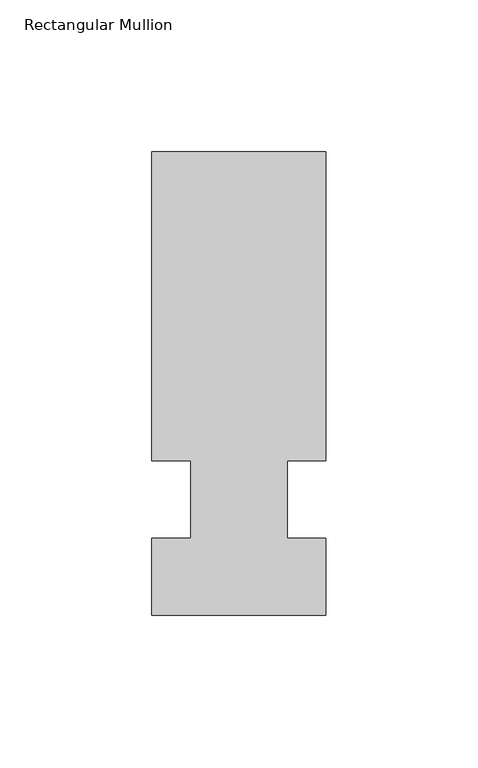
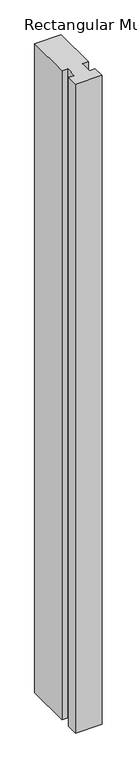
"""IFC4 building model written with IfcOpenShell, lengths in millimetres: member geometry, Rectangular Mullion."""

from ifc_helpers import new_model, si_unit, frame, origin, place, context, project, spatial, polyline, outline, extrude, source, transform, mapped, element, save


def rectangular_mullion_0eda6ed4(model_context):
    return source(origin(), model_context, "Body", "SweptSolid", [
        extrude(outline(polyline([(32.9094027, 114.3), (32.9094027, 12.7), (20.2076322, 12.7), (20.2076322, -12.7), (32.9094027, -12.7), (32.9094027, -38.1), (-24.2405973, -38.1), (-24.2405973, -12.7), (-11.5405973, -12.7), (-11.5405973, 12.7), (-24.2405973, 12.7), (-24.2405973, 114.3), (32.9094027, 114.3)])), frame((0.0, 0.0, -1478.28), z_axis=(0.0, 0.0, 1.0), x_axis=(1.0, 0.0, 0.0)), (0.0, 0.0, 1.0), 1478.28),
    ])


if __name__ == "__main__":
    model = new_model("IFC4")
    model_context = context("Model", 3, world=origin())
    ifc_project = project(units=[si_unit("LENGTHUNIT", "METRE", prefix="MILLI")], contexts=[model_context])
    site = spatial("IfcSite", under=ifc_project)
    building = spatial("IfcBuilding", under=site)
    placement = place(None, origin())
    rectangular_mullion_shape = rectangular_mullion_0eda6ed4(model_context)
    element("IfcMember", 1, ObjectType="Rectangular Mullion", at=placement, inside=building, context=model_context, shape_type="MappedRepresentation", body=[
        mapped(rectangular_mullion_shape, transform((0.0, 0.0, 0.0), x_axis=(1.0, 0.0, 0.0), y_axis=(0.0, 1.0, 0.0), z_axis=(0.0, 0.0, 1.0))),
    ])
    save(model, "model.ifc")
